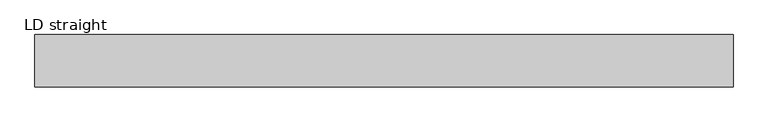
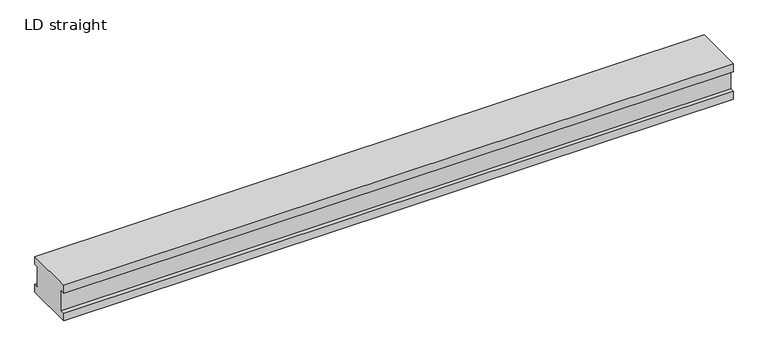
"""IFC4 building model written with IfcOpenShell, lengths in millimetres: proxy geometry, LD straight."""

from ifc_helpers import new_model, si_unit, frame, origin, place, context, project, spatial, polyline, outline, extrude, source, transform, mapped, element, save


def ld_straight_1f815977(model_context):
    return source(origin(), model_context, "Body", "SweptSolid", [
        extrude(outline(polyline([(240.0, 180.0), (240.0, 140.0), (220.0, 140.0), (220.0, 40.0), (240.0, 40.0), (240.0, 0.0), (0.0, 0.0), (0.0, 40.0), (20.0, 40.0), (20.0, 140.0), (0.0, 140.0), (0.0, 180.0), (240.0, 180.0)])), frame((0.0, 0.0, 0.0), z_axis=(1.0, 0.0, 0.0), x_axis=(0.0, 1.0, 0.0)), (0.0, 0.0, 1.0), 3200.0),
    ])


if __name__ == "__main__":
    model = new_model("IFC4")
    model_context = context("Model", 3, world=origin())
    ifc_project = project(units=[si_unit("LENGTHUNIT", "METRE", prefix="MILLI")], contexts=[model_context])
    site = spatial("IfcSite", under=ifc_project)
    building = spatial("IfcBuilding", under=site)
    placement = place(None, origin())
    ld_straight_shape = ld_straight_1f815977(model_context)
    element("IfcBuildingElementProxy", 1, Name="LD straight", ObjectType="LD straight", at=placement, inside=building, context=model_context, shape_type="MappedRepresentation", body=[
        mapped(ld_straight_shape, transform((0.0, 0.0, 0.0), x_axis=(1.0, 0.0, 0.0), y_axis=(0.0, 1.0, 0.0), z_axis=(0.0, 0.0, 1.0))),
    ])
    save(model, "model.ifc")
